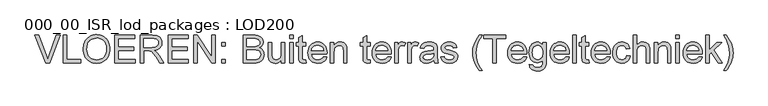
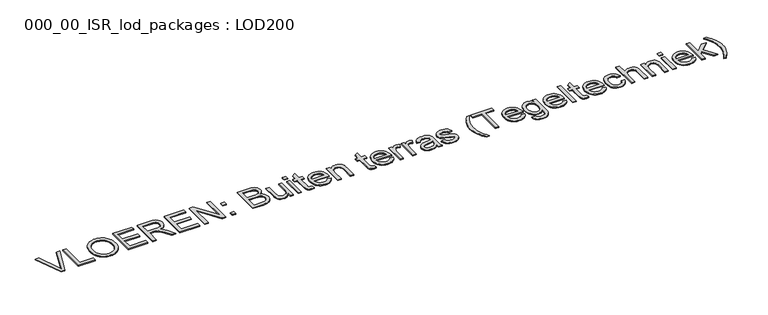
"""IFC4 building model written with IfcOpenShell, lengths in millimetres: proxy geometry, 000_00_ISR_lod_packages : LOD200."""

import ifcopenshell
import ifcopenshell.guid

model = None  # the IFC model being written
_history = None  # IfcOwnerHistory: only IFC2X3 demands one
_inside = {}  # id of a spatial element -> (the spatial element, [elements in it])
_under = {}  # id of a project, library or spatial element -> (it, [spatial elements below it])
_declared = {}  # id of a project -> (the project, [libraries it declares])
_typed = {}  # id of a type object -> (the type object, [elements of that type])
_made_of = {}  # id of a material, layer set ... -> (it, [elements and type objects made of it])


def new_model(schema):
    """Start an empty IFC model of exactly this schema.

    Asked for "IFC4X3", IfcOpenShell would pick the latest addendum, in which some entities
    have other attributes; the version numbers below select the first issue.
    IFC2X3 requires an IfcOwnerHistory on every rooted entity: one is made here for all.
    """
    global model, _history
    if schema == "IFC4X3":
        model = ifcopenshell.file(schema_version=(4, 3, 0, 0))
    else:
        model = ifcopenshell.file(schema=schema)
    _inside.clear()
    _under.clear()
    _declared.clear()
    _typed.clear()
    _made_of.clear()
    _history = None
    if model.schema == "IFC2X3":
        org = make("IfcOrganization", Name="unknown")
        user = make(
            "IfcPersonAndOrganization",
            ThePerson=make("IfcPerson", FamilyName="unknown"),
            TheOrganization=org,
        )
        app = make(
            "IfcApplication",
            ApplicationDeveloper=org,
            Version="unknown",
            ApplicationFullName="unknown",
            ApplicationIdentifier="unknown",
        )
        _history = make(
            "IfcOwnerHistory",
            OwningUser=user,
            OwningApplication=app,
            ChangeAction="ADDED",
            CreationDate=0,
        )
    return model


def make(cls, **values):
    """One entity of the class cls with the attributes given. An attribute that is None is left unset."""
    return model.create_entity(
        cls, **{name: value for name, value in values.items() if value is not None}
    )


def rooted(cls, **values):
    """An entity with a GlobalId (a new one), such as an element, a storey or a relation."""
    return make(cls, GlobalId=ifcopenshell.guid.new(), OwnerHistory=_history, **values)


def si_unit(unit_type, name, prefix=None):
    """IfcSIUnit, for example si_unit("LENGTHUNIT", "METRE", prefix="MILLI")."""
    return make("IfcSIUnit", UnitType=unit_type, Prefix=prefix, Name=name)


def assignment(units):
    """IfcUnitAssignment: the units of a project."""
    return None if units is None else make("IfcUnitAssignment", Units=units)


def point(xyz):
    """IfcCartesianPoint."""
    return None if xyz is None else make("IfcCartesianPoint", Coordinates=xyz)


def direction(xyz):
    """IfcDirection."""
    return None if xyz is None else make("IfcDirection", DirectionRatios=xyz)


def frame(location, z_axis=None, x_axis=None):
    """IfcAxis2Placement3D, a coordinate frame: its origin and axes. An axis left out is left unset."""
    return make(
        "IfcAxis2Placement3D",
        Location=point(location),
        Axis=direction(z_axis),
        RefDirection=direction(x_axis),
    )


def origin():
    """The frame at (0, 0, 0) with its axes left unset."""
    return frame((0.0, 0.0, 0.0))


def origin_with_axes():
    """The frame at (0, 0, 0) with the z axis (0, 0, 1) and the x axis (1, 0, 0) written out."""
    return frame((0.0, 0.0, 0.0), z_axis=(0.0, 0.0, 1.0), x_axis=(1.0, 0.0, 0.0))


def place(relative_to, where):
    """IfcLocalPlacement: puts the frame where relative to a parent placement (None: the world)."""
    return make(
        "IfcLocalPlacement", PlacementRelTo=relative_to, RelativePlacement=where
    )


def context(
    kind, dimensions, precision=None, world=None, true_north=None, identifier=None
):
    """IfcGeometricRepresentationContext, for example the 3D "Model" context."""
    return make(
        "IfcGeometricRepresentationContext",
        ContextIdentifier=identifier,
        ContextType=kind,
        CoordinateSpaceDimension=dimensions,
        Precision=precision,
        WorldCoordinateSystem=world,
        TrueNorth=true_north,
    )


def project(units=None, contexts=None):
    """IfcProject with its units and contexts."""
    return rooted(
        "IfcProject",
        Name="project",
        RepresentationContexts=contexts,
        UnitsInContext=assignment(units),
    )


def spatial(cls, under=None, at=None, **own):
    """A site, building, storey or space (cls), placed at a placement, below another one or the project."""
    s = rooted(cls, ObjectPlacement=at, **own)
    if under is not None:
        _under.setdefault(under.id(), (under, []))[1].append(s)
    return s


def polyline(points):
    """IfcPolyline through the points."""
    return make("IfcPolyline", Points=[point(p) for p in points])


def outline(outer, holes=None, kind="AREA"):
    """IfcArbitraryClosedProfileDef: a profile drawn as a closed curve; with holes, ...WithVoids."""
    if holes is None:
        return make("IfcArbitraryClosedProfileDef", ProfileType=kind, OuterCurve=outer)
    return make(
        "IfcArbitraryProfileDefWithVoids",
        ProfileType=kind,
        OuterCurve=outer,
        InnerCurves=holes,
    )


def extrude(swept, where, along, depth):
    """IfcExtrudedAreaSolid: the profile swept, set in the frame where, extruded along a direction by depth."""
    return make(
        "IfcExtrudedAreaSolid",
        SweptArea=swept,
        Position=where,
        ExtrudedDirection=direction(along),
        Depth=depth,
    )


def shape(context_of_items, identifier, shape_type, items):
    """IfcShapeRepresentation: the items that make up one representation, for example the "Body"."""
    return make(
        "IfcShapeRepresentation",
        ContextOfItems=context_of_items,
        RepresentationIdentifier=identifier,
        RepresentationType=shape_type,
        Items=items,
    )


def source(mapping_origin, context_of_items, identifier, shape_type, items):
    """IfcRepresentationMap: a shape defined once, which mapped items show again and again."""
    return make(
        "IfcRepresentationMap",
        MappingOrigin=mapping_origin,
        MappedRepresentation=shape(context_of_items, identifier, shape_type, items),
    )


def transform(
    local_origin,
    x_axis=None,
    y_axis=None,
    z_axis=None,
    scale=None,
    scale2=None,
    scale3=None,
    uniform=True,
):
    """IfcCartesianTransformationOperator3D, or its non-uniform kind. x_axis, y_axis, z_axis: its Axis1, 2, 3."""
    if uniform:
        return make(
            "IfcCartesianTransformationOperator3D",
            Axis1=direction(x_axis),
            Axis2=direction(y_axis),
            LocalOrigin=point(local_origin),
            Scale=scale,
            Axis3=direction(z_axis),
        )
    return make(
        "IfcCartesianTransformationOperator3DnonUniform",
        Axis1=direction(x_axis),
        Axis2=direction(y_axis),
        LocalOrigin=point(local_origin),
        Scale=scale,
        Axis3=direction(z_axis),
        Scale2=scale2,
        Scale3=scale3,
    )


def mapped(mapping_source, mapping_target):
    """IfcMappedItem: shows the shape of a source again, moved by a transform."""
    return make(
        "IfcMappedItem", MappingSource=mapping_source, MappingTarget=mapping_target
    )


def made_of(thing, what):
    """Note that an element or type object is made of a material, layer set ...; save() writes the relation."""
    if what is not None:
        _made_of.setdefault(what.id(), (what, []))[1].append(thing)
    return thing


def element(
    cls,
    number,
    at=None,
    inside=None,
    cuts=None,
    type_object=None,
    material=None,
    context=None,
    identifier="Body",
    shape_type=None,
    held_by="IfcProductDefinitionShape",
    body=None,
    shapes=None,
    **own,
):
    """One element of the class cls, such as IfcWall. Its Tag is "e" and its number.

    at: its placement. inside: the storey or other place that contains it. cuts: it is an
    opening in that element (IfcRelVoidsElement). A single representation is given by context,
    identifier, shape_type and body (its items); several are given by shapes. held_by: the class
    of the entity that holds the representations. save() writes the other relations.
    """
    e = rooted(cls, Tag="e%d" % number, ObjectPlacement=at, **own)
    if body is not None:
        shapes = [shape(context, identifier, shape_type, body)]
    if shapes is not None:
        e.Representation = make(held_by, Representations=shapes)
    if inside is not None:
        _inside.setdefault(inside.id(), (inside, []))[1].append(e)
    if cuts is not None:
        rooted(
            "IfcRelVoidsElement", RelatingBuildingElement=cuts, RelatedOpeningElement=e
        )
    if type_object is not None:
        _typed.setdefault(type_object.id(), (type_object, []))[1].append(e)
    return made_of(e, material)


def aggregate(whole, parts):
    """IfcRelAggregates: a whole, such as a stair, and the parts it consists of."""
    return rooted("IfcRelAggregates", RelatingObject=whole, RelatedObjects=parts)


def save(model, path):
    """Write the relations noted so far, then the file.

    IfcRelAggregates (storeys below a building ...), IfcRelContainedInSpatialStructure (elements
    in a storey), IfcRelDefinesByType, IfcRelAssociatesMaterial and IfcRelDeclares: one each for
    every whole, place, type object, material and project.
    """
    for whole, parts in _under.values():
        aggregate(whole, parts)
    for where, things in _inside.values():
        rooted(
            "IfcRelContainedInSpatialStructure",
            RelatedElements=things,
            RelatingStructure=where,
        )
    for kind, things in _typed.values():
        rooted("IfcRelDefinesByType", RelatedObjects=things, RelatingType=kind)
    for what, things in _made_of.values():
        rooted("IfcRelAssociatesMaterial", RelatedObjects=things, RelatingMaterial=what)
    for by, libraries in _declared.values():
        rooted("IfcRelDeclares", RelatingContext=by, RelatedDefinitions=libraries)
    model.write(path)


def proxy_000_00_isr_lod_packages_lod200_055011e8(model_context):
    return source(origin(), model_context, "Body", "SweptSolid", [
        extrude(outline(polyline([(817.155303, 500.0), (505.3560606, 1283.5151515), (610.1818182, 1283.5151515), (818.8768939, 719.0246212), (861.1515152, 591.8181818), (902.8522727, 719.0246212), (1112.1212121, 1283.5151515), (1216.9469697, 1283.5151515), (918.3465909, 500.0), (817.155303, 500.0)])), origin_with_axes(), (0.0, 0.0, 1.0), 25.0),
        extrude(outline(polyline([(1308.0, 500.0), (1308.0, 1283.5151515), (1405.9393939, 1283.5151515), (1405.9393939, 597.9393939), (1797.6969697, 597.9393939), (1797.6969697, 500.0), (1308.0, 500.0)])), origin_with_axes(), (0.0, 0.0, 1.0), 25.0),
        extrude(outline(polyline([(1871.1515152, 881.4280303), (1872.7834399, 928.6970585), (1877.679214, 973.3299006), (1885.8388376, 1015.3265566), (1897.2623106, 1054.6870265), (1911.949633, 1091.4113104), (1929.9008049, 1125.4994081), (1951.1158262, 1156.9513198), (1975.594697, 1185.7670455), (2002.6529652, 1211.546076), (2031.606179, 1233.8879025), (2062.4543383, 1252.7925249), (2095.1974432, 1268.2599432), (2129.8354936, 1280.2901574), (2166.3684896, 1288.8831676), (2204.7964311, 1294.0389737), (2245.1193182, 1295.7575758), (2297.8310843, 1292.5295928), (2347.8887311, 1282.8456439), (2395.2922585, 1266.7057292), (2440.0416667, 1244.1098485), (2480.8816288, 1215.739465), (2516.5568182, 1182.2760417), (2547.0672348, 1143.7195786), (2572.4128788, 1100.0700758), (2592.3307292, 1052.319839), (2606.5577652, 1001.4611742), (2615.0939867, 947.4940814), (2617.9393939, 890.4185606), (2614.9445431, 832.5898437), (2605.9599905, 777.8934659), (2590.9857363, 726.3294271), (2570.0217803, 677.8977273), (2543.5642756, 633.8776042), (2512.109375, 595.5482955), (2475.6570786, 562.9098011), (2434.2073864, 535.9621212), (2389.392223, 514.8726326), (2342.8435133, 499.8087121), (2294.5612571, 490.7703598), (2244.5454545, 487.7575758), (2190.9131155, 491.0871804), (2140.1979167, 501.0759943), (2092.399858, 517.7240175), (2047.5189394, 541.03125), (2006.7267992, 570.0950521), (1971.1950758, 604.0127841), (1940.9237689, 642.784446), (1915.9128788, 686.4100379), (1896.3297822, 733.13808), (1882.3418561, 781.2170928), (1873.9491004, 830.6470762), (1871.1515152, 881.4280303)]), holes=[polyline([(1969.0909091, 880.4715909), (1973.9866832, 815.5413116), (1988.6740057, 757.9038826), (2013.1528764, 707.559304), (2047.4232955, 664.5075758), (2089.0822088, 630.0279356), (2135.7265625, 605.3996212), (2187.3563565, 590.6226326), (2243.9715909, 585.6969697), (2301.5552202, 590.6704545), (2353.7947443, 605.5909091), (2400.6901634, 630.4583333), (2442.2414773, 665.2727273), (2460.466131, 686.2097834), (2476.260831, 709.2330729), (2500.5603693, 761.5383523), (2515.1400923, 822.1885653), (2520.0, 891.1837121), (2517.9197443, 936.0048532), (2511.6789773, 977.8849432), (2501.2776989, 1016.823982), (2486.7159091, 1052.8219697), (2468.1550071, 1085.4066643), (2445.756392, 1114.1058239), (2419.5200639, 1138.9194484), (2389.4460227, 1159.8475379), (2356.4667969, 1176.4596946), (2321.5149148, 1188.3255208), (2284.5903764, 1195.4450166), (2245.6931818, 1197.8181818), (2191.0446259, 1193.245206), (2140.3413826, 1179.5262784), (2093.5834517, 1156.6613991), (2050.7708333, 1124.6505682), (2031.6271011, 1104.8298562), (2015.0358665, 1081.951527), (2000.9971295, 1056.0155806), (1989.5108902, 1027.022017), (1974.1959044, 959.8620384), (1969.0909091, 880.4715909)])]), origin_with_axes(), (0.0, 0.0, 1.0), 25.0),
        extrude(outline(polyline([(2752.6060606, 500.0), (2752.6060606, 1283.5151515), (3315.7575758, 1283.5151515), (3315.7575758, 1185.5757576), (2850.5454545, 1185.5757576), (2850.5454545, 952.969697), (3291.2727273, 952.969697), (3291.2727273, 855.030303), (2850.5454545, 855.030303), (2850.5454545, 597.9393939), (3328.0, 597.9393939), (3328.0, 500.0), (2752.6060606, 500.0)])), origin_with_axes(), (0.0, 0.0, 1.0), 25.0),
        extrude(outline(polyline([(3474.9090909, 500.0), (3474.9090909, 1283.5151515), (3812.532197, 1283.5151515), (3903.2743845, 1278.2308239), (3939.3739938, 1271.6254143), (3969.2926136, 1262.3778409), (3994.769768, 1249.7767519), (4017.5449811, 1233.1107955), (4037.6182528, 1212.3799716), (4054.9895833, 1187.5842803), (4069.0073982, 1160.056759), (4079.0201231, 1131.1304451), (4085.027758, 1100.8053385), (4087.030303, 1069.0814394), (4083.7126539, 1028.8392519), (4073.7597064, 991.8967803), (4057.1714607, 958.2540246), (4033.9479167, 927.9109848), (4003.790187, 901.8360559), (3966.3993845, 880.9976326), (3921.775509, 865.395715), (3869.9185606, 855.030303), (3902.1983902, 833.9408144), (3925.5833333, 813.1382576), (3965.7059659, 765.5553977), (4004.967803, 712.3295455), (4135.6174242, 500.0), (4021.8011364, 500.0), (3919.844697, 662.4034091), (3846.1988636, 769.907197), (3818.820786, 801.2544981), (3794.4554924, 820.6941288), (3771.381392, 832.0996686), (3747.8768939, 839.344697), (3691.0643939, 842.7878788), (3572.8484848, 842.7878788), (3572.8484848, 500.0), (3474.9090909, 500.0)]), holes=[polyline([(3572.8484848, 940.7272727), (3792.0643939, 940.7272727), (3855.022017, 944.1943655), (3903.8721591, 954.5956439), (3940.6472538, 972.6245265), (3955.268821, 984.7593513), (3967.3797348, 998.9744318), (3983.6631155, 1030.8477746), (3989.0909091, 1065.4469697), (3986.502545, 1090.4937263), (3978.7374527, 1113.2211174), (3965.7956321, 1133.629143), (3947.6770833, 1151.717803), (3923.9633641, 1166.5306581), (3894.2360322, 1177.1112689), (3858.4950876, 1183.4596354), (3816.7405303, 1185.5757576), (3572.8484848, 1185.5757576), (3572.8484848, 940.7272727)])]), origin_with_axes(), (0.0, 0.0, 1.0), 25.0),
        extrude(outline(polyline([(4258.4242424, 500.0), (4258.4242424, 1283.5151515), (4821.5757576, 1283.5151515), (4821.5757576, 1185.5757576), (4356.3636364, 1185.5757576), (4356.3636364, 952.969697), (4797.0909091, 952.969697), (4797.0909091, 855.030303), (4356.3636364, 855.030303), (4356.3636364, 597.9393939), (4833.8181818, 597.9393939), (4833.8181818, 500.0), (4258.4242424, 500.0)])), origin_with_axes(), (0.0, 0.0, 1.0), 25.0),
        extrude(outline(polyline([(4980.7272727, 500.0), (4980.7272727, 1283.5151515), (5085.5530303, 1283.5151515), (5494.9090909, 662.7859848), (5494.9090909, 1283.5151515), (5592.8484848, 1283.5151515), (5592.8484848, 500.0), (5488.0227273, 500.0), (5078.6666667, 1120.9204545), (5078.6666667, 500.0), (4980.7272727, 500.0)])), origin_with_axes(), (0.0, 0.0, 1.0), 25.0),
        extrude(outline(polyline([(5776.4848485, 500.0), (5776.4848485, 597.9393939), (5874.4242424, 597.9393939), (5874.4242424, 500.0), (5776.4848485, 500.0)])), origin_with_axes(), (0.0, 0.0, 1.0), 25.0),
        extrude(outline(polyline([(5776.4848485, 977.4545455), (5776.4848485, 1075.3939394), (5874.4242424, 1075.3939394), (5874.4242424, 977.4545455), (5776.4848485, 977.4545455)])), origin_with_axes(), (0.0, 0.0, 1.0), 25.0),
        extrude(outline(polyline([(6376.3636364, 500.0), (6376.3636364, 1283.5151515), (6675.3465909, 1283.5151515), (6718.7151397, 1282.0745147), (6757.5764678, 1277.7526042), (6791.9305753, 1270.54942), (6821.7774621, 1260.4649621), (6847.8763021, 1247.3916312), (6870.9862689, 1231.2218277), (6891.1073627, 1211.9555516), (6908.2395833, 1189.592803), (6921.9226444, 1165.3948864), (6931.6962595, 1140.6231061), (6937.5604285, 1115.2774621), (6939.5151515, 1089.3579545), (6937.8712713, 1065.417081), (6932.9396307, 1042.1815814), (6924.7202296, 1019.651456), (6913.2130682, 997.8267045), (6898.3822798, 977.3887902), (6880.1919981, 959.0191761), (6858.642223, 942.7178622), (6833.7329545, 928.4848485), (6863.2929096, 915.8837595), (6889.2303504, 899.5047348), (6911.545277, 879.3477746), (6930.2376894, 855.4128788), (6945.0087003, 828.4293324), (6955.5594223, 799.1264205), (6961.8898556, 767.504143), (6964.0, 733.5625), (6958.2374527, 678.9258996), (6940.9498106, 628.2585227), (6915.149858, 585.170928), (6883.8503788, 553.2736742), (6845.5210701, 530.1756629), (6798.6316288, 513.4857955), (6741.6517519, 503.3714489), (6673.0511364, 500.0), (6376.3636364, 500.0)]), holes=[polyline([(6474.3030303, 965.2121212), (6653.157197, 965.2121212), (6715.7083333, 967.3162879), (6757.6003788, 973.6287879), (6794.1602746, 988.1427557), (6820.438447, 1009.8778409), (6836.2914299, 1038.4992898), (6841.5757576, 1073.6723485), (6836.6500947, 1107.8172348), (6821.8731061, 1137.5625), (6797.9142992, 1160.7800663), (6765.4431818, 1175.3418561), (6715.6126894, 1183.0172822), (6639.5757576, 1185.5757576), (6474.3030303, 1185.5757576), (6474.3030303, 965.2121212)]), polyline([(6474.3030303, 597.9393939), (6675.155303, 597.9393939), (6747.844697, 601.7651515), (6781.5830966, 610.2535511), (6809.34375, 623.09375), (6831.9157197, 641.4812973), (6850.0880682, 666.6117424), (6862.0674716, 697.3612689), (6866.0606061, 732.6060606), (6861.374053, 773.5416667), (6847.3143939, 808.7386364), (6836.4886955, 823.7009351), (6822.7578125, 836.2601799), (6806.1217448, 846.4163707), (6786.5804924, 854.1695076), (6735.3392519, 863.9969223), (6665.5909091, 867.2727273), (6474.3030303, 867.2727273), (6474.3030303, 597.9393939)])]), origin_with_axes(), (0.0, 0.0, 1.0), 25.0),
        extrude(outline(polyline([(7453.6969697, 500.0), (7453.6969697, 598.8958333), (7436.708215, 572.8478042), (7418.2608902, 550.2728456), (7398.3549953, 531.1709576), (7376.9905303, 515.5421402), (7354.1674953, 503.3863932), (7329.8858902, 494.7037169), (7304.145715, 489.494111), (7276.9469697, 487.7575758), (7229.2445549, 492.6354167), (7184.8418561, 507.2689394), (7147.5885417, 529.2670455), (7121.3342803, 556.2386364), (7103.6640625, 588.9966856), (7092.1628788, 628.3541667), (7087.8589015, 665.4640152), (7086.4242424, 719.407197), (7086.4242424, 1075.3939394), (7184.3636364, 1075.3939394), (7184.3636364, 765.5075758), (7185.8461174, 703.530303), (7190.2935606, 665.655303), (7204.5684186, 632.3473011), (7215.5256274, 618.688151), (7229.0293561, 607.0255682), (7262.0504261, 591.0291193), (7302.0056818, 585.6969697), (7344.256392, 591.1486742), (7383.78125, 607.5037879), (7401.469401, 619.3935251), (7416.3719223, 633.2559186), (7428.4888139, 649.0909683), (7437.8200758, 666.8986742), (7449.7277462, 712.975142), (7453.6969697, 776.0284091), (7453.6969697, 1075.3939394), (7551.6363636, 1075.3939394), (7551.6363636, 500.0), (7453.6969697, 500.0)])), origin_with_axes(), (0.0, 0.0, 1.0), 25.0),
        extrude(outline(polyline([(7686.3030303, 500.0), (7686.3030303, 1075.3939394), (7784.2424242, 1075.3939394), (7784.2424242, 500.0), (7686.3030303, 500.0)])), origin_with_axes(), (0.0, 0.0, 1.0), 25.0),
        extrude(outline(polyline([(7686.3030303, 1185.5757576), (7686.3030303, 1283.5151515), (7784.2424242, 1283.5151515), (7784.2424242, 1185.5757576), (7686.3030303, 1185.5757576)])), origin_with_axes(), (0.0, 0.0, 1.0), 25.0),
        extrude(outline(polyline([(8139.2727273, 581.6799242), (8151.5151515, 497.1306818), (8112.7315341, 490.1008523), (8078.2518939, 487.7575758), (8031.2428977, 491.8224432), (7996.1893939, 504.0170455), (7971.4176136, 522.8110795), (7955.2537879, 546.6742424), (7946.3589015, 587.6576705), (7943.3939394, 657.8125), (7943.3939394, 977.4545455), (7869.9393939, 977.4545455), (7869.9393939, 1075.3939394), (7943.3939394, 1075.3939394), (7943.3939394, 1215.2253788), (8041.3333333, 1272.8030303), (8041.3333333, 1075.3939394), (8139.2727273, 1075.3939394), (8139.2727273, 977.4545455), (8041.3333333, 977.4545455), (8041.3333333, 660.6818182), (8042.6245265, 628.4498106), (8046.4981061, 610.1818182), (8053.2649148, 600.0674716), (8063.2357955, 592.2964015), (8077.3671875, 587.3468277), (8096.6155303, 585.6969697), (8139.2727273, 581.6799242)])), origin_with_axes(), (0.0, 0.0, 1.0), 25.0),
        extrude(outline(polyline([(8640.0643939, 671.3939394), (8736.0909091, 659.1515152), (8721.3677202, 620.690696), (8701.491714, 586.796875), (8676.4628906, 557.4700521), (8646.28125, 532.7102273), (8611.2576349, 513.0434422), (8571.7028883, 498.9957386), (8527.6170099, 490.5671165), (8479.0, 487.7575758), (8418.230232, 492.6055279), (8364.0838068, 507.1493845), (8316.5607244, 531.3891454), (8275.6609848, 565.3248106), (8242.7714252, 608.0118963), (8219.2788826, 658.5059186), (8205.183357, 716.8068774), (8200.4848485, 782.9147727), (8205.231179, 851.2643229), (8219.4701705, 911.5080492), (8243.2018229, 963.6459517), (8276.4261364, 1007.6780303), (8317.2182765, 1042.6598011), (8363.6534091, 1067.6467803), (8415.7315341, 1082.6389678), (8473.4526515, 1087.6363636), (8529.3146899, 1082.6509233), (8579.8326231, 1067.6946023), (8625.0064512, 1042.7674006), (8664.8361742, 1007.8693182), (8697.3491359, 963.9328835), (8720.5726799, 911.890625), (8734.5068063, 851.7425426), (8739.1515152, 783.4886364), (8738.5776515, 757.0909091), (8298.4242424, 757.0909091), (8304.0971236, 718.0084044), (8315.3771307, 683.7798295), (8332.2642637, 654.4051847), (8354.7585227, 629.8844697), (8381.6165365, 610.5524384), (8411.5949337, 596.7438447), (8444.6937145, 588.4586884), (8480.9128788, 585.6969697), (8533.0388258, 590.8139205), (8576.9393939, 606.1647727), (8595.805161, 617.9170218), (8612.6145833, 632.7059659), (8627.367661, 650.5316051), (8640.0643939, 671.3939394)]), holes=[polyline([(8298.4242424, 855.030303), (8641.2121212, 855.030303), (8636.1788589, 882.7431345), (8627.9654356, 906.7736742), (8616.5718513, 927.1219223), (8601.9981061, 943.7878788), (8575.289536, 963.8731061), (8544.8986742, 978.219697), (8510.8255208, 986.8276515), (8473.0700758, 989.6969697), (8438.6322798, 987.4074929), (8407.0518466, 980.5390625), (8378.328776, 969.0916785), (8352.4630682, 953.0653409), (8330.7578717, 933.2012902), (8314.5163352, 910.240767), (8303.7384588, 884.1837713), (8298.4242424, 855.030303)])]), origin_with_axes(), (0.0, 0.0, 1.0), 25.0),
        extrude(outline(polyline([(8837.0909091, 500.0), (8837.0909091, 1075.3939394), (8935.030303, 1075.3939394), (8935.030303, 995.0530303), (8969.0556345, 1035.5582386), (8988.6327533, 1051.4709991), (9009.9195076, 1064.4905303), (9032.9158973, 1074.6168324), (9057.6219223, 1081.8499053), (9112.1628788, 1087.6363636), (9160.4391572, 1082.9737216), (9204.6505682, 1068.9857955), (9241.5213068, 1047.4180871), (9267.7755682, 1020.0160985), (9285.5892519, 986.8515625), (9297.1382576, 947.9962121), (9301.0118371, 910.8385417), (9302.3030303, 853.3087121), (9302.3030303, 500.0), (9204.3636364, 500.0), (9204.3636364, 840.1098485), (9201.5421402, 890.7533144), (9193.0776515, 926.7632576), (9177.4637784, 952.5632102), (9153.1941288, 972.5767045), (9122.0859375, 985.4169034), (9085.9564394, 989.6969697), (9056.217152, 987.2939157), (9028.5939867, 980.0847538), (9003.0869437, 968.0694839), (8979.6960227, 951.2481061), (8960.1547704, 927.7077415), (8946.196733, 895.5355114), (8937.8219105, 854.7314157), (8935.030303, 805.2954545), (8935.030303, 500.0), (8837.0909091, 500.0)])), origin_with_axes(), (0.0, 0.0, 1.0), 25.0),
        extrude(outline(polyline([(9951.1515152, 581.6799242), (9963.3939394, 497.1306818), (9924.610322, 490.1008523), (9890.1306818, 487.7575758), (9843.1216856, 491.8224432), (9808.0681818, 504.0170455), (9783.2964015, 522.8110795), (9767.1325758, 546.6742424), (9758.2376894, 587.6576705), (9755.2727273, 657.8125), (9755.2727273, 977.4545455), (9681.8181818, 977.4545455), (9681.8181818, 1075.3939394), (9755.2727273, 1075.3939394), (9755.2727273, 1215.2253788), (9853.2121212, 1272.8030303), (9853.2121212, 1075.3939394), (9951.1515152, 1075.3939394), (9951.1515152, 977.4545455), (9853.2121212, 977.4545455), (9853.2121212, 660.6818182), (9854.5033144, 628.4498106), (9858.3768939, 610.1818182), (9865.1437027, 600.0674716), (9875.1145833, 592.2964015), (9889.2459754, 587.3468277), (9908.4943182, 585.6969697), (9951.1515152, 581.6799242)])), origin_with_axes(), (0.0, 0.0, 1.0), 25.0),
        extrude(outline(polyline([(10451.9431818, 671.3939394), (10547.969697, 659.1515152), (10533.246508, 620.690696), (10513.3705019, 586.796875), (10488.3416785, 557.4700521), (10458.1600379, 532.7102273), (10423.1364228, 513.0434422), (10383.5816761, 498.9957386), (10339.4957978, 490.5671165), (10290.8787879, 487.7575758), (10230.1090199, 492.6055279), (10175.9625947, 507.1493845), (10128.4395123, 531.3891454), (10087.5397727, 565.3248106), (10054.6502131, 608.0118963), (10031.1576705, 658.5059186), (10017.0621449, 716.8068774), (10012.3636364, 782.9147727), (10017.1099669, 851.2643229), (10031.3489583, 911.5080492), (10055.0806108, 963.6459517), (10088.3049242, 1007.6780303), (10129.0970644, 1042.6598011), (10175.532197, 1067.6467803), (10227.610322, 1082.6389678), (10285.3314394, 1087.6363636), (10341.1934777, 1082.6509233), (10391.711411, 1067.6946023), (10436.8852391, 1042.7674006), (10476.7149621, 1007.8693182), (10509.2279238, 963.9328835), (10532.4514678, 911.890625), (10546.3855942, 851.7425426), (10551.030303, 783.4886364), (10550.4564394, 757.0909091), (10110.3030303, 757.0909091), (10115.9759115, 718.0084044), (10127.2559186, 683.7798295), (10144.1430516, 654.4051847), (10166.6373106, 629.8844697), (10193.4953243, 610.5524384), (10223.4737216, 596.7438447), (10256.5725024, 588.4586884), (10292.7916667, 585.6969697), (10344.9176136, 590.8139205), (10388.8181818, 606.1647727), (10407.6839489, 617.9170218), (10424.4933712, 632.7059659), (10439.2464489, 650.5316051), (10451.9431818, 671.3939394)]), holes=[polyline([(10110.3030303, 855.030303), (10453.0909091, 855.030303), (10448.0576468, 882.7431345), (10439.8442235, 906.7736742), (10428.4506392, 927.1219223), (10413.8768939, 943.7878788), (10387.1683239, 963.8731061), (10356.7774621, 978.219697), (10322.7043087, 986.8276515), (10284.9488636, 989.6969697), (10250.5110677, 987.4074929), (10218.9306345, 980.5390625), (10190.2075639, 969.0916785), (10164.3418561, 953.0653409), (10142.6366596, 933.2012902), (10126.3951231, 910.240767), (10115.6172467, 884.1837713), (10110.3030303, 855.030303)])]), origin_with_axes(), (0.0, 0.0, 1.0), 25.0),
        extrude(outline(polyline([(10648.969697, 500.0), (10648.969697, 1075.3939394), (10734.6666667, 1075.3939394), (10734.6666667, 990.2708333), (10766.3248106, 1039.6231061), (10795.4962121, 1068.6988636), (10824.7632576, 1082.9019886), (10856.7083333, 1087.6363636), (10881.0018939, 1085.7473958), (10905.4867424, 1080.0804924), (10930.1628788, 1070.6356534), (10955.030303, 1057.4128788), (10922.3200758, 969.6117424), (10887.8882576, 984.6756629), (10853.4564394, 989.6969697), (10824.2133049, 984.8669508), (10798.0785985, 970.3768939), (10776.9651989, 947.3267045), (10762.7859848, 916.8162879), (10750.8783144, 862.1079545), (10746.9090909, 802.4261364), (10746.9090909, 500.0), (10648.969697, 500.0)])), origin_with_axes(), (0.0, 0.0, 1.0), 25.0),
        extrude(outline(polyline([(11016.2424242, 500.0), (11016.2424242, 1075.3939394), (11101.9393939, 1075.3939394), (11101.9393939, 990.2708333), (11133.5975379, 1039.6231061), (11162.7689394, 1068.6988636), (11192.0359848, 1082.9019886), (11223.9810606, 1087.6363636), (11248.2746212, 1085.7473958), (11272.7594697, 1080.0804924), (11297.4356061, 1070.6356534), (11322.3030303, 1057.4128788), (11289.592803, 969.6117424), (11255.1609848, 984.6756629), (11220.7291667, 989.6969697), (11191.4860322, 984.8669508), (11165.3513258, 970.3768939), (11144.2379261, 947.3267045), (11130.0587121, 916.8162879), (11118.1510417, 862.1079545), (11114.1818182, 802.4261364), (11114.1818182, 500.0), (11016.2424242, 500.0)])), origin_with_axes(), (0.0, 0.0, 1.0), 25.0),
        extrude(outline(polyline([(11750.7878788, 573.4545455), (11703.9940814, 533.3319129), (11680.0771188, 518.4712358), (11655.813447, 507.0776515), (11605.1460701, 492.5875947), (11550.8920455, 487.7575758), (11507.2843868, 490.6627604), (11469.0447443, 499.3783144), (11436.1731179, 513.9042377), (11408.6695076, 534.2405303), (11386.9523556, 559.0959991), (11371.4401042, 587.1794508), (11362.1327533, 618.4908854), (11359.030303, 653.030303), (11363.7168561, 693.6311553), (11377.7765152, 730.5018939), (11399.4637784, 762.0643939), (11427.0331439, 786.7405303), (11459.4325284, 805.3910985), (11495.6098485, 818.8768939), (11580.3503788, 833.6060606), (11680.4895833, 849.1003788), (11750.2140152, 867.2727273), (11750.7878788, 889.0795455), (11749.1021544, 912.8231534), (11744.0449811, 932.7888258), (11735.6163589, 948.9765625), (11723.8162879, 961.3863636), (11703.4202178, 973.7722538), (11678.5767045, 982.6193182), (11649.2857481, 987.9275568), (11615.5473485, 989.6969697), (11557.2045455, 984.9865057), (11534.6325758, 979.0984257), (11516.4602273, 970.8551136), (11501.5278172, 959.610973), (11488.6756629, 944.7204072), (11477.9037642, 926.1834162), (11469.2121212, 904.0), (11371.2727273, 916.2424242), (11388.2734375, 969.8030303), (11399.9121094, 992.2793561), (11413.6429924, 1011.8863636), (11430.0578835, 1029.0185843), (11449.7485795, 1044.0705492), (11472.7150805, 1057.0422585), (11498.9573864, 1067.9337121), (11559.1413352, 1082.7107008), (11628.1723485, 1087.6363636), (11694.3818655, 1083.2845644), (11746.8664773, 1070.2291667), (11786.4391572, 1050.5982481), (11813.9128788, 1026.5198864), (11832.1330492, 996.7507102), (11843.9450758, 960.0473485), (11847.5317235, 926.1893939), (11848.7272727, 874.3503788), (11848.7272727, 752.5), (11849.9706439, 646.3591383), (11853.7007576, 582.3494318), (11861.0653409, 540.2900095), (11873.2121212, 500.0), (11775.2727273, 500.0), (11759.5871212, 534.0492424), (11750.7878788, 573.4545455)]), holes=[polyline([(11750.7878788, 769.3333333), (11684.9848485, 753.0260417), (11592.7840909, 739.3011364), (11541.9732481, 731.7930871), (11508.5217803, 723.4242424), (11486.5954072, 712.5686553), (11470.3598485, 697.6003788), (11460.3172348, 679.6671402), (11456.969697, 659.9166667), (11458.7929096, 644.6973248), (11464.2625473, 630.7930871), (11473.3786103, 618.2039536), (11486.1410985, 606.9299242), (11502.4304569, 597.6405066), (11522.1271307, 591.0052083), (11571.7424242, 585.6969697), (11624.3465909, 591.555161), (11648.3532197, 598.8779001), (11670.8295455, 609.1297348), (11708.5132576, 635.0253314), (11734.719697, 665.8465909), (11746.3404356, 697.6003788), (11750.2140152, 741.5965909), (11750.7878788, 769.3333333)])]), origin_with_axes(), (0.0, 0.0, 1.0), 25.0),
        extrude(outline(polyline([(11946.6666667, 671.3939394), (12044.6060606, 683.6363636), (12050.5240294, 661.3035038), (12060.0525568, 641.7443182), (12073.191643, 624.9588068), (12089.9412879, 610.9469697), (12110.3493134, 599.9000947), (12134.4635417, 592.0094697), (12162.2839725, 587.2750947), (12193.8106061, 585.6969697), (12225.3013731, 587.1435843), (12252.4403409, 591.483428), (12275.2275095, 598.7165009), (12293.6628788, 608.842803), (12307.8899148, 620.9178504), (12318.0520833, 633.9971591), (12324.1493845, 648.0807292), (12326.1818182, 663.1685606), (12324.137429, 676.3913352), (12318.0042614, 688.1316288), (12307.7823153, 698.3894413), (12293.4715909, 707.1647727), (12256.7921402, 719.5984848), (12192.6628788, 735.092803), (12103.2836174, 760.9405777), (12045.1799242, 783.0104167), (12007.8548769, 807.0887784), (11993.0479995, 822.0510772), (11980.811553, 838.9621212), (11964.3847064, 876.5980114), (11958.9090909, 917.9640152), (11963.3087121, 955.9107481), (11976.5075758, 990.9403409), (11997.3101326, 1021.6659564), (12024.5208333, 1046.7007576), (12051.5641572, 1062.4580966), (12086.7850379, 1075.6808712), (12127.5054451, 1084.6474905), (12171.0473485, 1087.6363636), (12234.7940341, 1082.8302557), (12290.219697, 1068.4119318), (12334.7897727, 1045.7921402), (12352.0535038, 1031.9357244), (12365.969697, 1016.3816288), (12386.6287879, 978.0044981), (12399.6363636, 928.4848485), (12301.6969697, 916.2424242), (12297.0283499, 932.6035156), (12289.3349905, 947.0636837), (12278.6168916, 959.6229285), (12264.874053, 970.28125), (12248.0466974, 978.7756274), (12228.0750473, 984.8430398), (12178.6988636, 989.6969697), (12122.4602273, 985.0582386), (12101.3707386, 979.2598248), (12084.967803, 971.1420455), (12063.8783144, 951.0568182), (12058.6059422, 939.8664773), (12056.8484848, 927.9109848), (12059.765625, 912.8470644), (12068.5170455, 899.4090909), (12083.485322, 887.4057765), (12105.0530303, 877.7935606), (12189.4109848, 856.9431818), (12275.944839, 831.358428), (12333.1638258, 810.842803), (12371.1344697, 788.796875), (12399.9232955, 758.6212121), (12410.509884, 740.4608191), (12418.071733, 720.2201705), (12422.6088423, 697.8992661), (12424.1212121, 673.4981061), (12422.3458215, 648.9893466), (12417.0196496, 625.1979167), (12408.1426965, 602.1238163), (12395.7149621, 579.7670455), (12379.9396899, 559.0182884), (12361.0201231, 540.7682292), (12338.9562618, 525.0168679), (12313.7481061, 511.7642045), (12286.0830966, 501.2613045), (12256.6486742, 493.759233), (12192.4715909, 487.7575758), (12139.7598248, 490.6508049), (12093.7192235, 499.3304924), (12054.3497869, 513.7966383), (12021.6515152, 534.0492424), (11994.9429451, 559.992661), (11973.5426136, 591.53125), (11957.4505208, 628.6650095), (11946.6666667, 671.3939394)])), origin_with_axes(), (0.0, 0.0, 1.0), 25.0),
        extrude(outline(polyline([(13036.2424242, 279.6363636), (12996.7056108, 330.7939157), (12960.3489583, 386.1358902), (12927.1724669, 445.6622869), (12897.1761364, 509.3731061), (12872.3206676, 575.773911), (12854.5667614, 643.3702652), (12843.9144176, 712.1621686), (12840.3636364, 782.1496212), (12843.0177557, 843.6606297), (12850.9801136, 903.8565341), (12864.2507102, 962.7373343), (12882.8295455, 1020.3030303), (12911.0684186, 1086.3212595), (12946.0501894, 1152.1960227), (12987.774858, 1217.9273201), (13036.2424242, 1283.5151515), (13109.6969697, 1283.5151515), (13052.0714962, 1190.4057765), (13018.0700758, 1128.3806818), (12986.7945076, 1054.7348485), (12962.9791667, 978.0284091), (12944.4720644, 880.0411932), (12938.3030303, 781.5757576), (12940.9810606, 718.7914891), (12949.0151515, 656.0191761), (12962.405303, 593.2588187), (12981.1515152, 530.5104167), (13005.2537879, 467.7739702), (13034.7121212, 405.0494792), (13069.5265152, 342.3369437), (13109.6969697, 279.6363636), (13036.2424242, 279.6363636)])), origin_with_axes(), (0.0, 0.0, 1.0), 25.0),
        extrude(outline(polyline([(13415.7575758, 500.0), (13415.7575758, 1185.5757576), (13158.6666667, 1185.5757576), (13158.6666667, 1283.5151515), (13770.7878788, 1283.5151515), (13770.7878788, 1185.5757576), (13513.6969697, 1185.5757576), (13513.6969697, 500.0), (13415.7575758, 500.0)])), origin_with_axes(), (0.0, 0.0, 1.0), 25.0),
        extrude(outline(polyline([(14271.5795455, 671.3939394), (14367.6060606, 659.1515152), (14352.8828717, 620.690696), (14333.0068655, 586.796875), (14307.9780421, 557.4700521), (14277.7964015, 532.7102273), (14242.7727865, 513.0434422), (14203.2180398, 498.9957386), (14159.1321615, 490.5671165), (14110.5151515, 487.7575758), (14049.7453835, 492.6055279), (13995.5989583, 507.1493845), (13948.0758759, 531.3891454), (13907.1761364, 565.3248106), (13874.2865767, 608.0118963), (13850.7940341, 658.5059186), (13836.6985085, 716.8068774), (13832.0, 782.9147727), (13836.7463305, 851.2643229), (13850.985322, 911.5080492), (13874.7169744, 963.6459517), (13907.9412879, 1007.6780303), (13948.733428, 1042.6598011), (13995.1685606, 1067.6467803), (14047.2466856, 1082.6389678), (14104.967803, 1087.6363636), (14160.8298414, 1082.6509233), (14211.3477746, 1067.6946023), (14256.5216027, 1042.7674006), (14296.3513258, 1007.8693182), (14328.8642874, 963.9328835), (14352.0878314, 911.890625), (14366.0219579, 851.7425426), (14370.6666667, 783.4886364), (14370.092803, 757.0909091), (13929.9393939, 757.0909091), (13935.6122751, 718.0084044), (13946.8922822, 683.7798295), (13963.7794152, 654.4051847), (13986.2736742, 629.8844697), (14013.131688, 610.5524384), (14043.1100852, 596.7438447), (14076.208866, 588.4586884), (14112.4280303, 585.6969697), (14164.5539773, 590.8139205), (14208.4545455, 606.1647727), (14227.3203125, 617.9170218), (14244.1297348, 632.7059659), (14258.8828125, 650.5316051), (14271.5795455, 671.3939394)]), holes=[polyline([(13929.9393939, 855.030303), (14272.7272727, 855.030303), (14267.6940104, 882.7431345), (14259.4805871, 906.7736742), (14248.0870028, 927.1219223), (14233.5132576, 943.7878788), (14206.8046875, 963.8731061), (14176.4138258, 978.219697), (14142.3406723, 986.8276515), (14104.5852273, 989.6969697), (14070.1474313, 987.4074929), (14038.5669981, 980.5390625), (14009.8439276, 969.0916785), (13983.9782197, 953.0653409), (13962.2730232, 933.2012902), (13946.0314867, 910.240767), (13935.2536103, 884.1837713), (13929.9393939, 855.030303)])]), origin_with_axes(), (0.0, 0.0, 1.0), 25.0),
        extrude(outline(polyline([(14444.1212121, 451.030303), (14542.0606061, 438.7878788), (14546.1972064, 422.2892992), (14552.8683712, 408.1818182), (14562.0741004, 396.4654356), (14573.8143939, 387.1401515), (14592.8116714, 377.5996686), (14614.9891098, 370.7850379), (14668.8844697, 365.3333333), (14699.4666193, 366.8755919), (14726.3664773, 371.5023674), (14749.5840436, 379.21366), (14769.1193182, 390.0094697), (14785.3787879, 403.5909091), (14798.7689394, 419.6590909), (14809.2897727, 438.2140152), (14816.9412879, 459.2556818), (14822.2495265, 501.3868371), (14823.6363636, 573.4545455), (14791.0456913, 541.3181818), (14754.6770833, 518.3636364), (14714.5305398, 504.5909091), (14670.6060606, 500.0), (14616.9079664, 505.3441051), (14569.6299716, 521.3764205), (14528.7720762, 548.096946), (14494.3342803, 585.5056818), (14467.0100024, 630.3866004), (14447.492661, 679.5236742), (14435.7822562, 732.9169034), (14431.8787879, 790.5662879), (14433.6302675, 830.8981416), (14438.8847064, 869.6399148), (14447.6421046, 906.7916075), (14459.9024621, 942.3532197), (14475.4804688, 975.1411577), (14494.1908144, 1003.9718277), (14516.0334991, 1028.8452296), (14541.0085227, 1049.7613636), (14568.7153764, 1066.3316761), (14598.7535511, 1078.1676136), (14631.1230469, 1085.2691761), (14665.8238636, 1087.6363636), (14711.6253551, 1082.280303), (14753.1946023, 1066.2121212), (14790.5316051, 1039.4318182), (14823.6363636, 1001.9393939), (14823.6363636, 1075.3939394), (14921.5757576, 1075.3939394), (14921.5757576, 578.6193182), (14919.9019886, 516.3730469), (14914.8806818, 463.9183239), (14906.5118371, 421.2551491), (14894.7954545, 388.3835227), (14879.45058, 361.8722183), (14860.1962595, 338.2900095), (14837.0324929, 317.6368963), (14809.9592803, 299.9128788), (14779.251598, 285.6858428), (14745.1844223, 275.5236742), (14707.7577533, 269.4263731), (14666.9715909, 267.3939394), (14618.9882221, 270.2572798), (14575.8468277, 278.8473011), (14537.5474077, 293.1640033), (14504.0899621, 313.2073864), (14477.0645715, 339.0013613), (14458.0613163, 370.569839), (14447.0801965, 407.9128196), (14444.1212121, 451.030303)]), holes=[polyline([(14529.8181818, 797.2613636), (14532.4304569, 748.8356416), (14540.2672822, 707.4277936), (14553.3286577, 673.0378196), (14571.6145833, 645.6657197), (14593.8458215, 624.7854522), (14618.7431345, 609.8709754), (14646.3065223, 600.9222893), (14676.5359848, 597.9393939), (14706.4665601, 600.9043561), (14733.8984375, 609.7992424), (14758.831617, 624.624053), (14781.2660985, 645.3787879), (14799.8030895, 672.4818892), (14813.0437973, 706.3517992), (14820.9882221, 746.988518), (14823.6363636, 794.3920455), (14820.9105114, 839.8169389), (14812.7329545, 879.2999527), (14799.1036932, 912.8410866), (14780.0227273, 940.4403409), (14757.1040483, 961.990116), (14731.9616477, 977.3828125), (14704.5955256, 986.6184304), (14675.0056818, 989.6969697), (14645.911991, 986.6662524), (14619.0778883, 977.5741004), (14594.5033736, 962.4205137), (14572.188447, 941.2054924), (14553.651456, 914.0246804), (14540.4107481, 880.9737216), (14532.4663234, 842.052616), (14529.8181818, 797.2613636)])]), origin_with_axes(), (0.0, 0.0, 1.0), 25.0),
        extrude(outline(polyline([(15471.3371212, 671.3939394), (15567.3636364, 659.1515152), (15552.6404474, 620.690696), (15532.7644413, 586.796875), (15507.7356179, 557.4700521), (15477.5539773, 532.7102273), (15442.5303622, 513.0434422), (15402.9756155, 498.9957386), (15358.8897372, 490.5671165), (15310.2727273, 487.7575758), (15249.5029593, 492.6055279), (15195.3565341, 507.1493845), (15147.8334517, 531.3891454), (15106.9337121, 565.3248106), (15074.0441525, 608.0118963), (15050.5516098, 658.5059186), (15036.4560843, 716.8068774), (15031.7575758, 782.9147727), (15036.5039063, 851.2643229), (15050.7428977, 911.5080492), (15074.4745502, 963.6459517), (15107.6988636, 1007.6780303), (15148.4910038, 1042.6598011), (15194.9261364, 1067.6467803), (15247.0042614, 1082.6389678), (15304.7253788, 1087.6363636), (15360.5874171, 1082.6509233), (15411.1053504, 1067.6946023), (15456.2791785, 1042.7674006), (15496.1089015, 1007.8693182), (15528.6218632, 963.9328835), (15551.8454072, 911.890625), (15565.7795336, 851.7425426), (15570.4242424, 783.4886364), (15569.8503788, 757.0909091), (15129.6969697, 757.0909091), (15135.3698509, 718.0084044), (15146.649858, 683.7798295), (15163.536991, 654.4051847), (15186.03125, 629.8844697), (15212.8892637, 610.5524384), (15242.867661, 596.7438447), (15275.9664418, 588.4586884), (15312.1856061, 585.6969697), (15364.311553, 590.8139205), (15408.2121212, 606.1647727), (15427.0778883, 617.9170218), (15443.8873106, 632.7059659), (15458.6403883, 650.5316051), (15471.3371212, 671.3939394)]), holes=[polyline([(15129.6969697, 855.030303), (15472.4848485, 855.030303), (15467.4515862, 882.7431345), (15459.2381629, 906.7736742), (15447.8445786, 927.1219223), (15433.2708333, 943.7878788), (15406.5622633, 963.8731061), (15376.1714015, 978.219697), (15342.0982481, 986.8276515), (15304.342803, 989.6969697), (15269.9050071, 987.4074929), (15238.3245739, 980.5390625), (15209.6015033, 969.0916785), (15183.7357955, 953.0653409), (15162.030599, 933.2012902), (15145.7890625, 910.240767), (15135.0111861, 884.1837713), (15129.6969697, 855.030303)])]), origin_with_axes(), (0.0, 0.0, 1.0), 25.0),
        extrude(outline(polyline([(15668.3636364, 500.0), (15668.3636364, 1283.5151515), (15766.3030303, 1283.5151515), (15766.3030303, 500.0), (15668.3636364, 500.0)])), origin_with_axes(), (0.0, 0.0, 1.0), 25.0),
        extrude(outline(polyline([(16121.3333333, 581.6799242), (16133.5757576, 497.1306818), (16094.7921402, 490.1008523), (16060.3125, 487.7575758), (16013.3035038, 491.8224432), (15978.25, 504.0170455), (15953.4782197, 522.8110795), (15937.3143939, 546.6742424), (15928.4195076, 587.6576705), (15925.4545455, 657.8125), (15925.4545455, 977.4545455), (15852.0, 977.4545455), (15852.0, 1075.3939394), (15925.4545455, 1075.3939394), (15925.4545455, 1215.2253788), (16023.3939394, 1272.8030303), (16023.3939394, 1075.3939394), (16121.3333333, 1075.3939394), (16121.3333333, 977.4545455), (16023.3939394, 977.4545455), (16023.3939394, 660.6818182), (16024.6851326, 628.4498106), (16028.5587121, 610.1818182), (16035.3255208, 600.0674716), (16045.2964015, 592.2964015), (16059.4277936, 587.3468277), (16078.6761364, 585.6969697), (16121.3333333, 581.6799242)])), origin_with_axes(), (0.0, 0.0, 1.0), 25.0),
        extrude(outline(polyline([(16622.125, 671.3939394), (16718.1515152, 659.1515152), (16703.4283262, 620.690696), (16683.5523201, 586.796875), (16658.5234967, 557.4700521), (16628.3418561, 532.7102273), (16593.318241, 513.0434422), (16553.7634943, 498.9957386), (16509.677616, 490.5671165), (16461.0606061, 487.7575758), (16400.2908381, 492.6055279), (16346.1444129, 507.1493845), (16298.6213305, 531.3891454), (16257.7215909, 565.3248106), (16224.8320313, 608.0118963), (16201.3394886, 658.5059186), (16187.2439631, 716.8068774), (16182.5454545, 782.9147727), (16187.291785, 851.2643229), (16201.5307765, 911.5080492), (16225.262429, 963.6459517), (16258.4867424, 1007.6780303), (16299.2788826, 1042.6598011), (16345.7140152, 1067.6467803), (16397.7921402, 1082.6389678), (16455.5132576, 1087.6363636), (16511.3752959, 1082.6509233), (16561.8932292, 1067.6946023), (16607.0670573, 1042.7674006), (16646.8967803, 1007.8693182), (16679.409742, 963.9328835), (16702.633286, 911.890625), (16716.5674124, 851.7425426), (16721.2121212, 783.4886364), (16720.6382576, 757.0909091), (16280.4848485, 757.0909091), (16286.1577296, 718.0084044), (16297.4377367, 683.7798295), (16314.3248698, 654.4051847), (16336.8191288, 629.8844697), (16363.6771425, 610.5524384), (16393.6555398, 596.7438447), (16426.7543205, 588.4586884), (16462.9734848, 585.6969697), (16515.0994318, 590.8139205), (16559.0, 606.1647727), (16577.865767, 617.9170218), (16594.6751894, 632.7059659), (16609.428267, 650.5316051), (16622.125, 671.3939394)]), holes=[polyline([(16280.4848485, 855.030303), (16623.2727273, 855.030303), (16618.239465, 882.7431345), (16610.0260417, 906.7736742), (16598.6324574, 927.1219223), (16584.0587121, 943.7878788), (16557.350142, 963.8731061), (16526.9592803, 978.219697), (16492.8861269, 986.8276515), (16455.1306818, 989.6969697), (16420.6928859, 987.4074929), (16389.1124527, 980.5390625), (16360.3893821, 969.0916785), (16334.5236742, 953.0653409), (16312.8184777, 933.2012902), (16296.5769413, 910.240767), (16285.7990649, 884.1837713), (16280.4848485, 855.030303)])]), origin_with_axes(), (0.0, 0.0, 1.0), 25.0),
        extrude(outline(polyline([(17186.4242424, 708.1212121), (17284.3636364, 695.8787879), (17273.7112926, 649.6648319), (17257.0572917, 608.7710701), (17234.4016335, 573.1975024), (17205.7443182, 542.9441288), (17172.2928504, 518.8000118), (17135.2547348, 501.554214), (17094.6299716, 491.2067353), (17050.4185606, 487.7575758), (16995.4890507, 492.5696615), (16946.2383996, 507.0059186), (16902.6666075, 531.0663471), (16864.7736742, 564.750947), (16834.1018584, 607.4260772), (16812.1934186, 658.4580966), (16799.0483546, 717.8470052), (16794.6666667, 785.592803), (16796.5377012, 830.6231652), (16802.1508049, 872.7483428), (16811.5059777, 911.9683357), (16824.6032197, 948.2831439), (16841.532197, 980.9634825), (16862.3825758, 1009.2800663), (16887.1543561, 1033.2328954), (16915.8475379, 1052.8219697), (16947.1649503, 1068.053267), (16979.8094223, 1078.9327652), (17013.7809541, 1085.460464), (17049.0795455, 1087.6363636), (17092.5317827, 1084.6474905), (17131.835464, 1075.6808712), (17166.9905895, 1060.7365057), (17197.9971591, 1039.8143939), (17224.3291312, 1013.3927557), (17245.460464, 981.9498106), (17261.3911577, 945.4855587), (17272.1212121, 904.0), (17174.1818182, 891.7575758), (17166.5362808, 914.6344105), (17156.4159564, 934.4865057), (17143.8208452, 951.3138613), (17128.750947, 965.1164773), (17111.5888376, 975.8704427), (17092.7170928, 983.5518466), (17072.1357126, 988.1606889), (17049.844697, 989.6969697), (17016.5665838, 986.6722301), (16986.5523201, 977.5980114), (16959.8019058, 962.4743134), (16936.3153409, 941.3011364), (16917.1925308, 913.5883049), (16903.5333807, 878.8456439), (16895.3378906, 837.0731534), (16892.6060606, 788.2708333), (16895.2781132, 738.7332505), (16903.2942708, 696.4765625), (16916.6545336, 661.5007694), (16935.3589015, 633.8058712), (16958.3792022, 612.7582268), (16984.6872633, 597.7241951), (17014.2830848, 588.703776), (17047.1666667, 585.6969697), (17073.6660156, 587.573982), (17097.8818655, 593.2050189), (17119.8142164, 602.5900805), (17139.4630682, 615.7291667), (17156.2784683, 632.7657434), (17169.710464, 653.8432765), (17179.7590554, 678.9617661), (17186.4242424, 708.1212121)])), origin_with_axes(), (0.0, 0.0, 1.0), 25.0),
        extrude(outline(polyline([(17370.0606061, 500.0), (17370.0606061, 1283.5151515), (17468.0, 1283.5151515), (17468.0, 995.4356061), (17503.9740767, 1035.7734375), (17544.3716856, 1064.5861742), (17589.1928267, 1081.8738163), (17638.4375, 1087.6363636), (17669.0555161, 1086.0642164), (17697.5932765, 1081.3477746), (17724.0507813, 1073.4870384), (17748.4280303, 1062.4820076), (17770.1033381, 1048.7033026), (17788.4550189, 1032.5215436), (17803.4830729, 1013.9367306), (17815.1875, 992.9488636), (17823.9747869, 968.2607718), (17830.2514205, 938.5752841), (17835.2727273, 864.2121212), (17835.2727273, 500.0), (17737.3333333, 500.0), (17737.3333333, 854.0738636), (17735.3845881, 887.1427557), (17729.5383523, 915.3816288), (17719.7946259, 938.790483), (17706.1534091, 957.3693182), (17688.9375, 971.5126657), (17668.469697, 981.6150568), (17644.75, 987.6764915), (17617.7784091, 989.6969697), (17576.3884943, 984.2452652), (17537.5331439, 967.8901515), (17520.0900805, 956.0183475), (17505.3489583, 942.2097538), (17493.3097775, 926.4643703), (17483.9725379, 908.782197), (17471.9931345, 864.3555871), (17468.0, 805.6780303), (17468.0, 500.0), (17370.0606061, 500.0)])), origin_with_axes(), (0.0, 0.0, 1.0), 25.0),
        extrude(outline(polyline([(17969.9393939, 500.0), (17969.9393939, 1075.3939394), (18067.8787879, 1075.3939394), (18067.8787879, 995.0530303), (18101.9041193, 1035.5582386), (18121.4812382, 1051.4709991), (18142.7679924, 1064.4905303), (18165.7643821, 1074.6168324), (18190.4704072, 1081.8499053), (18245.0113636, 1087.6363636), (18293.287642, 1082.9737216), (18337.499053, 1068.9857955), (18374.3697917, 1047.4180871), (18400.624053, 1020.0160985), (18418.4377367, 986.8515625), (18429.9867424, 947.9962121), (18433.860322, 910.8385417), (18435.1515152, 853.3087121), (18435.1515152, 500.0), (18337.2121212, 500.0), (18337.2121212, 840.1098485), (18334.390625, 890.7533144), (18325.9261364, 926.7632576), (18310.3122633, 952.5632102), (18286.0426136, 972.5767045), (18254.9344223, 985.4169034), (18218.8049242, 989.6969697), (18189.0656368, 987.2939157), (18161.4424716, 980.0847538), (18135.9354285, 968.0694839), (18112.5445076, 951.2481061), (18093.0032552, 927.7077415), (18079.0452178, 895.5355114), (18070.6703954, 854.7314157), (18067.8787879, 805.2954545), (18067.8787879, 500.0), (17969.9393939, 500.0)])), origin_with_axes(), (0.0, 0.0, 1.0), 25.0),
        extrude(outline(polyline([(18569.8181818, 500.0), (18569.8181818, 1075.3939394), (18667.7575758, 1075.3939394), (18667.7575758, 500.0), (18569.8181818, 500.0)])), origin_with_axes(), (0.0, 0.0, 1.0), 25.0),
        extrude(outline(polyline([(18569.8181818, 1185.5757576), (18569.8181818, 1283.5151515), (18667.7575758, 1283.5151515), (18667.7575758, 1185.5757576), (18569.8181818, 1185.5757576)])), origin_with_axes(), (0.0, 0.0, 1.0), 25.0),
        extrude(outline(polyline([(19217.5189394, 671.3939394), (19313.5454545, 659.1515152), (19298.8222656, 620.690696), (19278.9462595, 586.796875), (19253.9174361, 557.4700521), (19223.7357955, 532.7102273), (19188.7121804, 513.0434422), (19149.1574337, 498.9957386), (19105.0715554, 490.5671165), (19056.4545455, 487.7575758), (18995.6847775, 492.6055279), (18941.5383523, 507.1493845), (18894.0152699, 531.3891454), (18853.1155303, 565.3248106), (18820.2259706, 608.0118963), (18796.733428, 658.5059186), (18782.6379025, 716.8068774), (18777.9393939, 782.9147727), (18782.6857244, 851.2643229), (18796.9247159, 911.5080492), (18820.6563684, 963.6459517), (18853.8806818, 1007.6780303), (18894.672822, 1042.6598011), (18941.1079545, 1067.6467803), (18993.1860795, 1082.6389678), (19050.907197, 1087.6363636), (19106.7692353, 1082.6509233), (19157.2871686, 1067.6946023), (19202.4609967, 1042.7674006), (19242.2907197, 1007.8693182), (19274.8036813, 963.9328835), (19298.0272254, 911.890625), (19311.9613518, 851.7425426), (19316.6060606, 783.4886364), (19316.032197, 757.0909091), (18875.8787879, 757.0909091), (18881.551669, 718.0084044), (18892.8316761, 683.7798295), (18909.7188092, 654.4051847), (18932.2130682, 629.8844697), (18959.0710819, 610.5524384), (18989.0494792, 596.7438447), (19022.1482599, 588.4586884), (19058.3674242, 585.6969697), (19110.4933712, 590.8139205), (19154.3939394, 606.1647727), (19173.2597064, 617.9170218), (19190.0691288, 632.7059659), (19204.8222064, 650.5316051), (19217.5189394, 671.3939394)]), holes=[polyline([(18875.8787879, 855.030303), (19218.6666667, 855.030303), (19213.6334044, 882.7431345), (19205.4199811, 906.7736742), (19194.0263968, 927.1219223), (19179.4526515, 943.7878788), (19152.7440814, 963.8731061), (19122.3532197, 978.219697), (19088.2800663, 986.8276515), (19050.5246212, 989.6969697), (19016.0868253, 987.4074929), (18984.506392, 980.5390625), (18955.7833215, 969.0916785), (18929.9176136, 953.0653409), (18908.2124171, 933.2012902), (18891.9708807, 910.240767), (18881.1930043, 884.1837713), (18875.8787879, 855.030303)])]), origin_with_axes(), (0.0, 0.0, 1.0), 25.0),
        extrude(outline(polyline([(19414.5454545, 500.0), (19414.5454545, 1283.5151515), (19512.4848485, 1283.5151515), (19512.4848485, 862.4905303), (19732.0833333, 1075.3939394), (19867.5151515, 1075.3939394), (19645.2386364, 859.8125), (19879.7575758, 500.0), (19765.3674242, 500.0), (19575.0359848, 791.7140152), (19512.4848485, 731.0757576), (19512.4848485, 500.0), (19414.5454545, 500.0)])), origin_with_axes(), (0.0, 0.0, 1.0), 25.0),
        extrude(outline(polyline([(19989.9393939, 279.6363636), (19916.4848485, 279.6363636), (19956.655303, 342.3369437), (19991.469697, 405.0494792), (20020.9280303, 467.7739702), (20045.030303, 530.5104167), (20063.7765152, 593.2588187), (20077.1666667, 656.0191761), (20085.2007576, 718.7914891), (20087.8787879, 781.5757576), (20081.7097538, 879.3238636), (20063.2026515, 976.3068182), (20039.8177083, 1053.1567235), (20008.6856061, 1126.8503788), (19974.5407197, 1189.5449811), (19916.4848485, 1283.5151515), (19989.9393939, 1283.5151515), (20038.4069602, 1217.9273201), (20080.1316288, 1152.1960227), (20115.1133996, 1086.3212595), (20143.3522727, 1020.3030303), (20161.931108, 962.7373343), (20175.2017045, 903.8565341), (20183.1640625, 843.6606297), (20185.8181818, 782.1496212), (20182.2494673, 712.1621686), (20171.5433239, 643.3702652), (20153.6997514, 575.773911), (20128.71875, 509.3731061), (20098.6327533, 445.6622869), (20065.4741951, 386.1358902), (20029.2430753, 330.7939157), (19989.9393939, 279.6363636)])), origin_with_axes(), (0.0, 0.0, 1.0), 25.0),
    ])


if __name__ == "__main__":
    model = new_model("IFC4")
    model_context = context("Model", 3, world=origin())
    ifc_project = project(units=[si_unit("LENGTHUNIT", "METRE", prefix="MILLI")], contexts=[model_context])
    site = spatial("IfcSite", under=ifc_project)
    building = spatial("IfcBuilding", under=site)
    placement = place(None, origin())
    proxy_000_00_isr_lod_packages_lod200_shape = proxy_000_00_isr_lod_packages_lod200_055011e8(model_context)
    element("IfcBuildingElementProxy", 1, Name="000_00_ISR_lod_packages : LOD200", ObjectType="000_00_ISR_lod_packages : LOD200", at=placement, inside=building, context=model_context, shape_type="MappedRepresentation", body=[
        mapped(proxy_000_00_isr_lod_packages_lod200_shape, transform((0.0, 0.0, 0.0), x_axis=(1.0, 0.0, 0.0), y_axis=(0.0, 1.0, 0.0), z_axis=(0.0, 0.0, 1.0))),
    ])
    save(model, "model.ifc")
